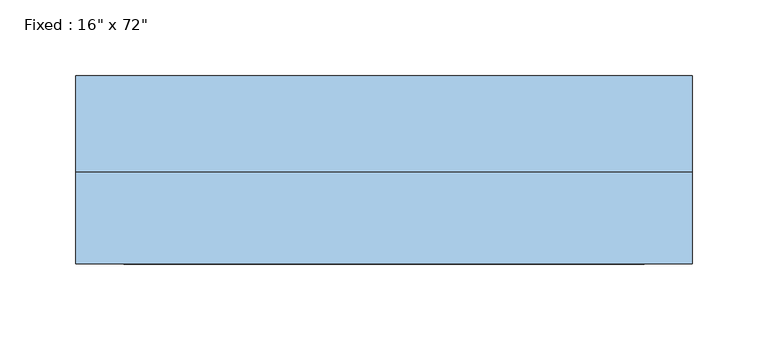
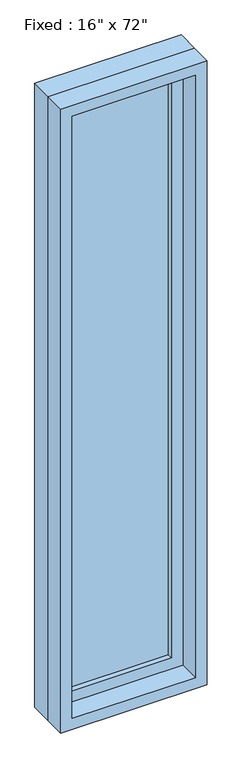
"""IFC4 building model written with IfcOpenShell, lengths in millimetres: window geometry."""

from ifc_helpers import new_model, si_unit, frame, origin, place, context, project, spatial, polyline, outline, extrude, source, transform, mapped, element, save


def window_65c088b5(model_context):
    return source(origin(), model_context, "Body", "SweptSolid", [
        extrude(outline(polyline([(101.6, 14.2875), (-177.8, 14.2875), (-177.8, 26.9875), (101.6, 26.9875), (101.6, 14.2875)])), frame((0.0, 0.0, 368.3), z_axis=(0.0, 0.0, 1.0), x_axis=(1.0, 0.0, 0.0)), (0.0, 0.0, 1.0), 1701.8),
        extrude(outline(polyline([(2114.55, -222.25), (323.85, -222.25), (323.85, 146.05), (2114.55, 146.05), (2114.55, -222.25)]), holes=[polyline([(2070.1, -177.8), (2070.1, 101.6), (368.3, 101.6), (368.3, -177.8), (2070.1, -177.8)])]), frame((0.0, -1.5875, 0.0), z_axis=(0.0, 1.0, 0.0), x_axis=(0.0, 0.0, 1.0)), (0.0, 0.0, 1.0), 44.45),
        extrude(outline(polyline([(2133.6, -241.3), (304.8, -241.3), (304.8, 165.1), (2133.6, 165.1), (2133.6, -241.3)]), holes=[polyline([(2101.85, -209.55), (2101.85, 133.35), (336.55, 133.35), (336.55, -209.55), (2101.85, -209.55)])]), frame((0.0, -61.9125, 0.0), z_axis=(0.0, 1.0, 0.0), x_axis=(0.0, 0.0, 1.0)), (0.0, 0.0, 1.0), 60.325),
        extrude(outline(polyline([(2133.6, 165.1), (2133.6, -241.3), (304.8, -241.3), (304.8, 165.1), (2133.6, 165.1)]), holes=[polyline([(2114.55, 146.05), (323.85, 146.05), (323.85, -222.25), (2114.55, -222.25), (2114.55, 146.05)])]), frame((0.0, -1.5875, 0.0), z_axis=(0.0, 1.0, 0.0), x_axis=(0.0, 0.0, 1.0)), (0.0, 0.0, 1.0), 63.5),
    ])


if __name__ == "__main__":
    model = new_model("IFC4")
    model_context = context("Model", 3, world=origin())
    ifc_project = project(units=[si_unit("LENGTHUNIT", "METRE", prefix="MILLI")], contexts=[model_context])
    site = spatial("IfcSite", under=ifc_project)
    building = spatial("IfcBuilding", under=site)
    placement = place(None, origin())
    window_shape = window_65c088b5(model_context)
    element("IfcWindow", 1, ObjectType="Fixed : 16\" x 72\"", at=placement, inside=building, context=model_context, shape_type="MappedRepresentation", body=[
        mapped(window_shape, transform((0.0, 0.0, 0.0), x_axis=(1.0, 0.0, 0.0), y_axis=(0.0, 1.0, 0.0), z_axis=(0.0, 0.0, 1.0))),
    ])
    save(model, "model.ifc")
